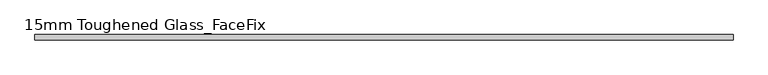
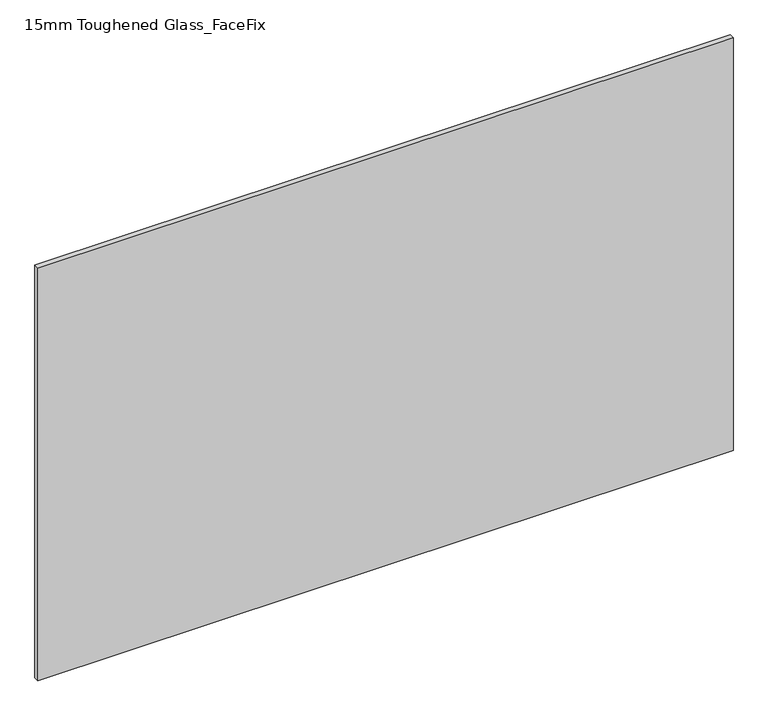
"""IFC4 building model written with IfcOpenShell, lengths in millimetres: plate geometry, 15mm Toughened Glass_FaceFix."""

from ifc_helpers import new_model, si_unit, origin, origin_with_axes, place, context, project, spatial, polyline, outline, extrude, source, transform, mapped, element, save


def plate_15mm_toughened_glass_facefix_8a3b25ae(model_context):
    return source(origin(), model_context, "Body", "SweptSolid", [
        extrude(outline(polyline([(995.0000001, -24.5), (995.0000001, -39.5), (-995.0000001, -39.5), (-995.0000001, -24.5), (995.0000001, -24.5)])), origin_with_axes(), (0.0, 0.0, 1.0), 1250.0),
    ])


if __name__ == "__main__":
    model = new_model("IFC4")
    model_context = context("Model", 3, world=origin())
    ifc_project = project(units=[si_unit("LENGTHUNIT", "METRE", prefix="MILLI")], contexts=[model_context])
    site = spatial("IfcSite", under=ifc_project)
    building = spatial("IfcBuilding", under=site)
    placement = place(None, origin())
    plate_15mm_toughened_glass_facefix_shape = plate_15mm_toughened_glass_facefix_8a3b25ae(model_context)
    element("IfcPlate", 1, ObjectType="15mm Toughened Glass_FaceFix", at=placement, inside=building, context=model_context, shape_type="MappedRepresentation", body=[
        mapped(plate_15mm_toughened_glass_facefix_shape, transform((0.0, 0.0, 0.0), x_axis=(1.0, 0.0, 0.0), y_axis=(0.0, 1.0, 0.0), z_axis=(0.0, 0.0, 1.0))),
    ])
    save(model, "model.ifc")
